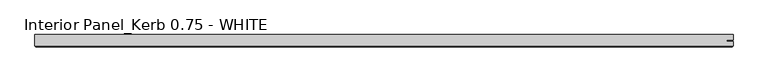
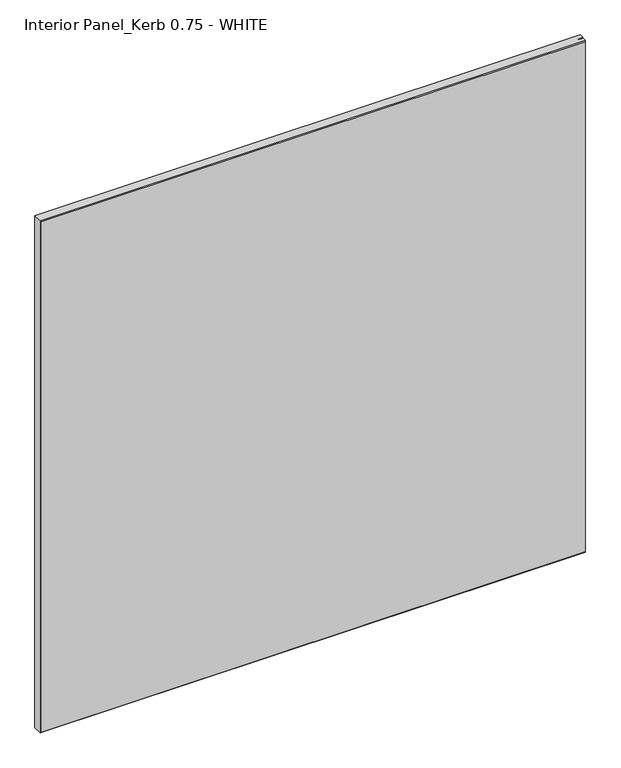
"""IFC4 building model written with IfcOpenShell, lengths in millimetres: proxy geometry, Interior Panel_Kerb 0.75 - WHITE."""

from ifc_helpers import new_model, si_unit, origin, place, context, project, spatial, faceted_brep, source, transform, mapped, element, save


def interior_panel_kerb_0_75_white_af61eb99(model_context):
    return source(origin(), model_context, "Body", "Brep", [
        faceted_brep([(998.5375, 3.175, 1063.625), (-73.025, 3.175, 1063.625), (-73.025, -14.2875, 1063.625), (998.5375, -14.2875, 1063.625), (998.5375, -7.4168, 1063.625), (988.7148437, -7.4168, 1063.625), (988.7148437, -5.2832, 1063.625), (998.5375, -5.2832, 1063.625), (998.5375, 3.175, 0.0), (998.5375, -5.2832, 0.0), (988.7148437, -5.2832, 0.0), (988.7148437, -7.4168, 0.0), (998.5375, -7.4168, 0.0), (998.5375, -14.2875, 0.0), (-73.025, -14.2875, 0.0), (-73.025, 3.175, 0.0), (-71.4375, -15.875, 1062.0375), (-71.4375, -15.875, 1.5875), (996.95, -15.875, 1.5875), (996.95, -15.875, 1062.0375)], [[[0, 1, 2, 3, 4, 5, 6, 7]], [[8, 9, 10, 11, 12, 13, 14, 15]], [[1, 0, 8, 15]], [[2, 1, 15, 14]], [[16, 17, 18, 19]], [[4, 3, 13, 12]], [[2, 14, 17, 16]], [[13, 3, 19, 18]], [[3, 2, 16, 19]], [[14, 13, 18, 17]], [[5, 4, 12, 11]], [[6, 5, 11, 10]], [[7, 6, 10, 9]], [[0, 7, 9, 8]]]),
    ])


if __name__ == "__main__":
    model = new_model("IFC4")
    model_context = context("Model", 3, world=origin())
    ifc_project = project(units=[si_unit("LENGTHUNIT", "METRE", prefix="MILLI")], contexts=[model_context])
    site = spatial("IfcSite", under=ifc_project)
    building = spatial("IfcBuilding", under=site)
    placement = place(None, origin())
    interior_panel_kerb_0_75_white_shape = interior_panel_kerb_0_75_white_af61eb99(model_context)
    element("IfcBuildingElementProxy", 1, Name="Interior Panel_Kerb 0.75 - WHITE", ObjectType="Interior Panel_Kerb 0.75 - WHITE", at=placement, inside=building, context=model_context, shape_type="MappedRepresentation", body=[
        mapped(interior_panel_kerb_0_75_white_shape, transform((0.0, 0.0, 0.0), x_axis=(1.0, 0.0, 0.0), y_axis=(0.0, 1.0, 0.0), z_axis=(0.0, 0.0, 1.0))),
    ])
    save(model, "model.ifc")
